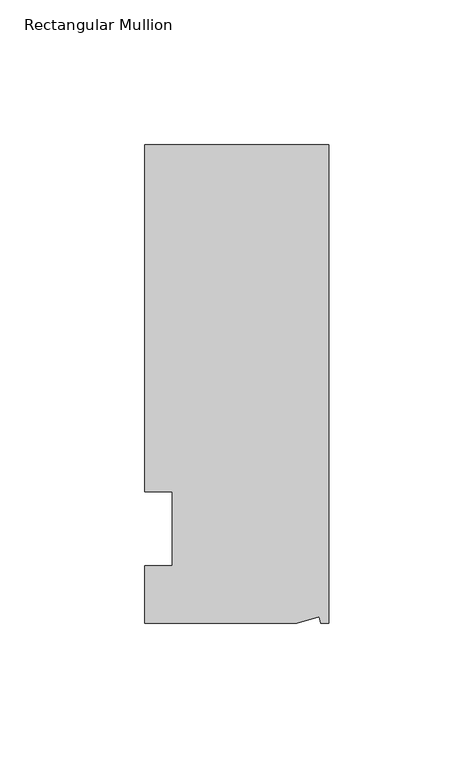
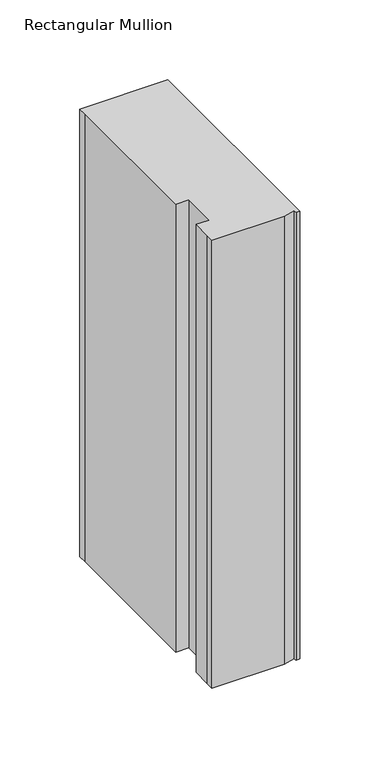
"""IFC4 building model written with IfcOpenShell, lengths in millimetres: member geometry, Rectangular Mullion."""

from ifc_helpers import new_model, si_unit, origin, place, context, project, spatial, faceted_brep, source, transform, mapped, element, save


def rectangular_mullion_2c7619d7(model_context):
    return source(origin(), model_context, "Body", "Brep", [
        faceted_brep([(0.0, 132.5561012, 0.0), (-63.5, 132.5561012, 0.0), (-63.5, 126.2061012, 0.0), (-63.5, 12.8488281, 0.0), (-53.975, 12.8488281, 0.0), (-53.975, -12.7, 0.0), (-63.5, -12.7, 0.0), (-63.5, -26.1938988, 0.0), (-63.5076469, -32.5438988, 0.0), (-11.1125, -32.5438988, 0.0), (-3.3223696, -30.4565397, 0.0), (-2.7630634, -32.5438988, 0.0), (0.0, -32.5438988, 0.0), (0.0, 132.5561012, -341.95385), (0.0, -32.5438988, -341.95385), (-2.7630634, -32.5438988, -341.95385), (-3.3223696, -30.4565397, -341.95385), (-11.1125, -32.5438988, -341.95385), (-63.5076469, -32.5438988, -341.95385), (-63.5076469, -26.1938988, -341.95385), (-63.5, -12.7, -341.95385), (-53.975, -12.7, -341.95385), (-53.975, 12.8488281, -341.95385), (-63.5, 12.8488281, -341.95385), (-63.5, 126.2061012, -341.95385), (-63.5, 132.5561012, -341.95385)], [[[0, 1, 2, 3, 4, 5, 6, 7, 8, 9, 10, 11, 12]], [[13, 14, 15, 16, 17, 18, 19, 20, 21, 22, 23, 24, 25]], [[0, 12, 14, 13]], [[1, 0, 13, 25]], [[3, 2, 24, 23]], [[4, 3, 23, 22]], [[5, 4, 22, 21]], [[6, 5, 21, 20]], [[7, 6, 20, 19]], [[9, 8, 18, 17]], [[10, 9, 17, 16]], [[11, 10, 16, 15]], [[12, 11, 15, 14]], [[2, 1, 25, 24]], [[8, 7, 19, 18]]]),
    ])


if __name__ == "__main__":
    model = new_model("IFC4")
    model_context = context("Model", 3, world=origin())
    ifc_project = project(units=[si_unit("LENGTHUNIT", "METRE", prefix="MILLI")], contexts=[model_context])
    site = spatial("IfcSite", under=ifc_project)
    building = spatial("IfcBuilding", under=site)
    placement = place(None, origin())
    rectangular_mullion_shape = rectangular_mullion_2c7619d7(model_context)
    element("IfcMember", 1, ObjectType="Rectangular Mullion", at=placement, inside=building, context=model_context, shape_type="MappedRepresentation", body=[
        mapped(rectangular_mullion_shape, transform((0.0, 0.0, 0.0), x_axis=(1.0, 0.0, 0.0), y_axis=(0.0, 1.0, 0.0), z_axis=(0.0, 0.0, 1.0))),
    ])
    save(model, "model.ifc")
